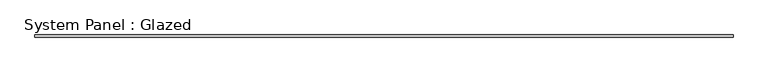
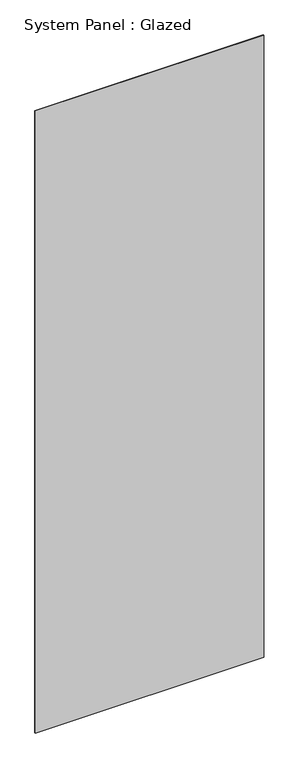
"""IFC4 building model written with IfcOpenShell, lengths in millimetres: plate geometry, System Panel : Glazed."""

from ifc_helpers import new_model, si_unit, origin, origin_with_axes, place, context, project, spatial, polyline, outline, extrude, source, transform, mapped, element, save


def system_panel_glazed_c492b767(model_context):
    return source(origin(), model_context, "Body", "SweptSolid", [
        extrude(outline(polyline([(3703.4787787, 19.05), (-3703.4787787, 19.05), (-3703.4787787, 44.45), (3703.4787787, 44.45), (3703.4787787, 19.05)])), origin_with_axes(), (0.0, 0.0, 1.0), 21336.0),
    ])


if __name__ == "__main__":
    model = new_model("IFC4")
    model_context = context("Model", 3, world=origin())
    ifc_project = project(units=[si_unit("LENGTHUNIT", "METRE", prefix="MILLI")], contexts=[model_context])
    site = spatial("IfcSite", under=ifc_project)
    building = spatial("IfcBuilding", under=site)
    placement = place(None, origin())
    system_panel_glazed_shape = system_panel_glazed_c492b767(model_context)
    element("IfcPlate", 1, ObjectType="System Panel : Glazed", at=placement, inside=building, context=model_context, shape_type="MappedRepresentation", body=[
        mapped(system_panel_glazed_shape, transform((0.0, 0.0, 0.0), x_axis=(1.0, 0.0, 0.0), y_axis=(0.0, 1.0, 0.0), z_axis=(0.0, 0.0, 1.0))),
    ])
    save(model, "model.ifc")
